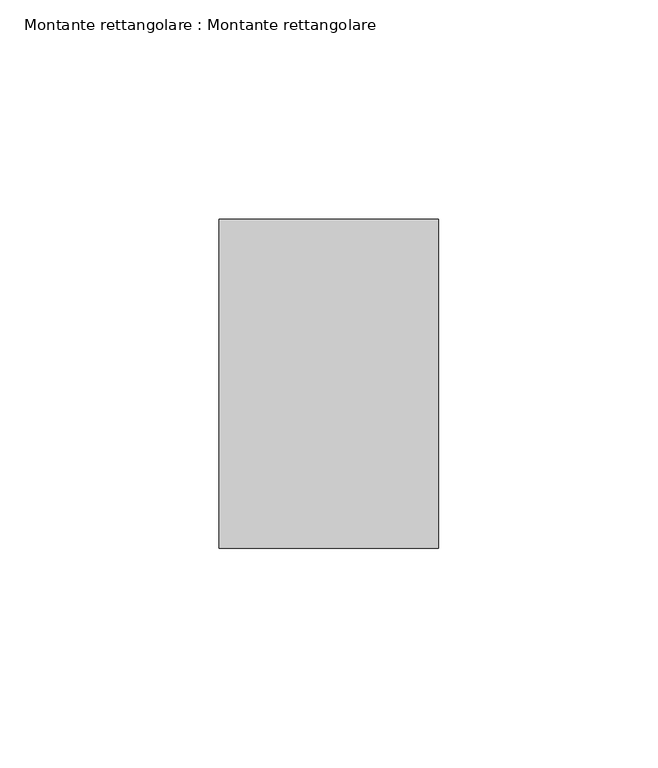
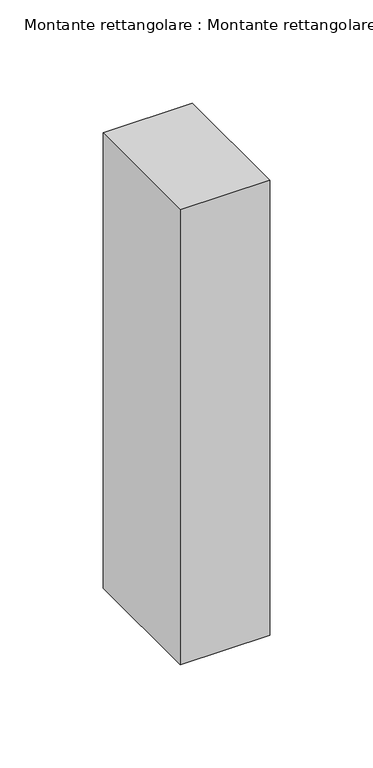
"""IFC4 building model written with IfcOpenShell, lengths in millimetres: member geometry, Montante rettangolare : Montante rettangolare."""

from ifc_helpers import new_model, si_unit, origin, place, context, project, spatial, faceted_brep, source, transform, mapped, element, save


def montante_rettangolare_montante_rettangolare_dbc21651(model_context):
    return source(origin(), model_context, "Body", "Brep", [
        faceted_brep([(-50.0, 37.5, 0.1593007), (0.0, 37.5, 0.1593007), (0.0, 37.5, -269.6454765), (-50.0, 37.5, -269.6454765), (-50.0, -37.5, -0.1597531), (-50.0, -37.5235095, -269.680758), (0.0, -37.5, -0.1597531), (0.0, -37.5, -269.680747)], [[[0, 1, 2, 3]], [[4, 0, 3, 5]], [[6, 4, 5, 7]], [[1, 6, 7, 2]], [[1, 0, 4, 6]], [[2, 7, 5, 3]]]),
    ])


if __name__ == "__main__":
    model = new_model("IFC4")
    model_context = context("Model", 3, world=origin())
    ifc_project = project(units=[si_unit("LENGTHUNIT", "METRE", prefix="MILLI")], contexts=[model_context])
    site = spatial("IfcSite", under=ifc_project)
    building = spatial("IfcBuilding", under=site)
    placement = place(None, origin())
    montante_rettangolare_montante_rettangolare_shape = montante_rettangolare_montante_rettangolare_dbc21651(model_context)
    element("IfcMember", 1, ObjectType="Montante rettangolare : Montante rettangolare", at=placement, inside=building, context=model_context, shape_type="MappedRepresentation", body=[
        mapped(montante_rettangolare_montante_rettangolare_shape, transform((0.0, 0.0, 0.0), x_axis=(1.0, 0.0, 0.0), y_axis=(0.0, 1.0, 0.0), z_axis=(0.0, 0.0, 1.0))),
    ])
    save(model, "model.ifc")
